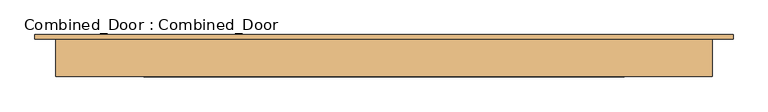
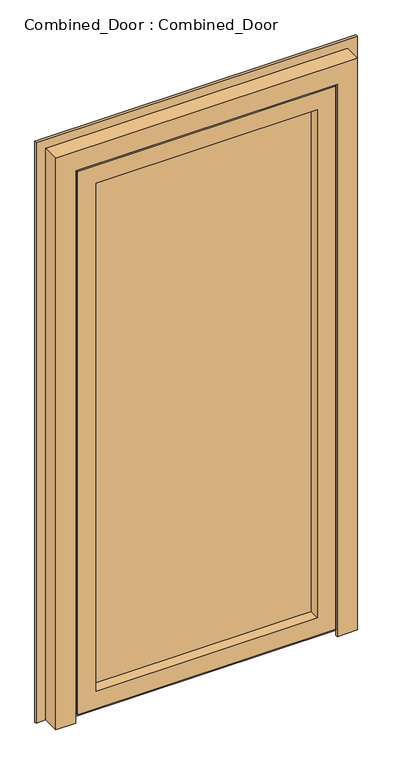
"""IFC4 building model written with IfcOpenShell, lengths in millimetres: door geometry, Combined_Door : Combined_Door."""

from ifc_helpers import new_model, si_unit, frame, origin, place, context, project, spatial, polyline, outline, extrude, faceted_brep, source, transform, mapped, element, save


def combined_door_combined_door_d81a1760(model_context):
    return source(origin(), model_context, "Body", "SolidModel", [
        faceted_brep([(429.5, 0.0, 2187.0), (429.5, 75.0, 2187.0), (429.5, 75.0, 104.0), (429.5, 0.0, 104.0), (525.5, 75.0, 2283.0), (525.5, 75.0, 8.0), (-525.5, 75.0, 8.0), (-525.5, 75.0, 2283.0), (-429.5, 75.0, 2187.0), (-429.5, 75.0, 104.0), (-429.5, 0.0, 104.0), (-500.5, 0.0, 2258.0), (-500.5, 0.0, 33.0), (500.5, 0.0, 33.0), (500.5, 0.0, 2258.0), (-429.5, 0.0, 2187.0), (500.5, 8.5, 2258.0), (500.5, 8.5, 33.0), (-500.5, 8.5, 33.0), (-513.0, 8.5, 2270.5), (-513.0, 8.5, 20.5), (513.0, 8.5, 20.5), (513.0, 8.5, 2270.5), (-500.5, 8.5, 2258.0), (513.0, 66.5, 2270.5), (513.0, 66.5, 20.5), (-513.0, 66.5, 20.5), (-525.5, 66.5, 2283.0), (-525.5, 66.5, 8.0), (525.5, 66.5, 8.0), (525.5, 66.5, 2283.0), (-513.0, 66.5, 2270.5)], [[[0, 1, 2, 3]], [[4, 5, 6, 7], [8, 9, 2, 1]], [[3, 2, 9, 10]], [[11, 12, 13, 14], [0, 3, 10, 15]], [[16, 14, 13, 17]], [[17, 13, 12, 18]], [[19, 20, 21, 22], [16, 17, 18, 23]], [[24, 22, 21, 25]], [[25, 21, 20, 26]], [[27, 28, 29, 30], [24, 25, 26, 31]], [[4, 30, 29, 5]], [[5, 29, 28, 6]], [[10, 9, 8, 15]], [[18, 12, 11, 23]], [[26, 20, 19, 31]], [[6, 28, 27, 7]], [[15, 8, 1, 0]], [[23, 11, 14, 16]], [[31, 19, 22, 24]], [[7, 27, 30, 4]]]),
        extrude(outline(polyline([(429.5, 41.8), (-429.5, 41.8), (-429.5, 59.8), (429.5, 59.8), (429.5, 41.8)])), frame((0.0, 0.0, 104.0), z_axis=(0.0, 0.0, 1.0), x_axis=(1.0, 0.0, 0.0)), (0.0, 0.0, 1.0), 2083.0),
        faceted_brep([(-623.5, 67.0, 0.0), (-623.5, 75.0, 0.0), (-532.5, 75.0, 0.0), (-532.5, 66.5, 0.0), (-520.0, 66.5, 0.0), (-520.0, 8.5, 0.0), (-507.5, 8.5, 0.0), (-507.5, 0.0, 0.0), (-586.0, 0.0, 0.0), (-586.0, 67.0, 0.0), (-623.5, 67.0, 2381.0), (-623.5, 75.0, 2381.0), (623.5, 75.0, 2381.0), (623.5, 75.0, 0.0), (532.5, 75.0, 0.0), (532.5, 75.0, 2290.0), (-532.5, 75.0, 2290.0), (-532.5, 66.5, 2290.0), (532.5, 66.5, 2290.0), (532.5, 66.5, 0.0), (520.0, 66.5, 0.0), (520.0, 66.5, 2277.5), (-520.0, 66.5, 2277.5), (-520.0, 8.5, 2277.5), (520.0, 8.5, 2277.5), (520.0, 8.5, 0.0), (507.5, 8.5, 0.0), (507.5, 8.5, 2265.0), (-507.5, 8.5, 2265.0), (-507.5, 0.0, 2265.0), (507.5, 0.0, 2265.0), (507.5, 0.0, 0.0), (586.0, 0.0, 0.0), (586.0, 0.0, 2343.5), (-586.0, 0.0, 2343.5), (-586.0, 67.0, 2343.5), (586.0, 67.0, 2343.5), (586.0, 67.0, 0.0), (623.5, 67.0, 0.0), (623.5, 67.0, 2381.0)], [[[0, 1, 2, 3, 4, 5, 6, 7, 8, 9]], [[1, 0, 10, 11]], [[2, 1, 11, 12, 13, 14, 15, 16]], [[3, 2, 16, 17]], [[4, 3, 17, 18, 19, 20, 21, 22]], [[5, 4, 22, 23]], [[6, 5, 23, 24, 25, 26, 27, 28]], [[7, 6, 28, 29]], [[8, 7, 29, 30, 31, 32, 33, 34]], [[9, 8, 34, 35]], [[0, 9, 35, 36, 37, 38, 39, 10]], [[12, 39, 38, 13]], [[38, 37, 32, 31, 26, 25, 20, 19, 14, 13]], [[18, 15, 14, 19]], [[24, 21, 20, 25]], [[30, 27, 26, 31]], [[36, 33, 32, 37]], [[11, 10, 39, 12]], [[17, 16, 15, 18]], [[23, 22, 21, 24]], [[29, 28, 27, 30]], [[35, 34, 33, 36]]]),
    ])


if __name__ == "__main__":
    model = new_model("IFC4")
    model_context = context("Model", 3, world=origin())
    ifc_project = project(units=[si_unit("LENGTHUNIT", "METRE", prefix="MILLI")], contexts=[model_context])
    site = spatial("IfcSite", under=ifc_project)
    building = spatial("IfcBuilding", under=site)
    placement = place(None, origin())
    combined_door_combined_door_shape = combined_door_combined_door_d81a1760(model_context)
    element("IfcDoor", 1, ObjectType="Combined_Door : Combined_Door", at=placement, inside=building, context=model_context, shape_type="MappedRepresentation", body=[
        mapped(combined_door_combined_door_shape, transform((0.0, 0.0, 0.0), x_axis=(1.0, 0.0, 0.0), y_axis=(0.0, 1.0, 0.0), z_axis=(0.0, 0.0, 1.0))),
    ])
    save(model, "model.ifc")
